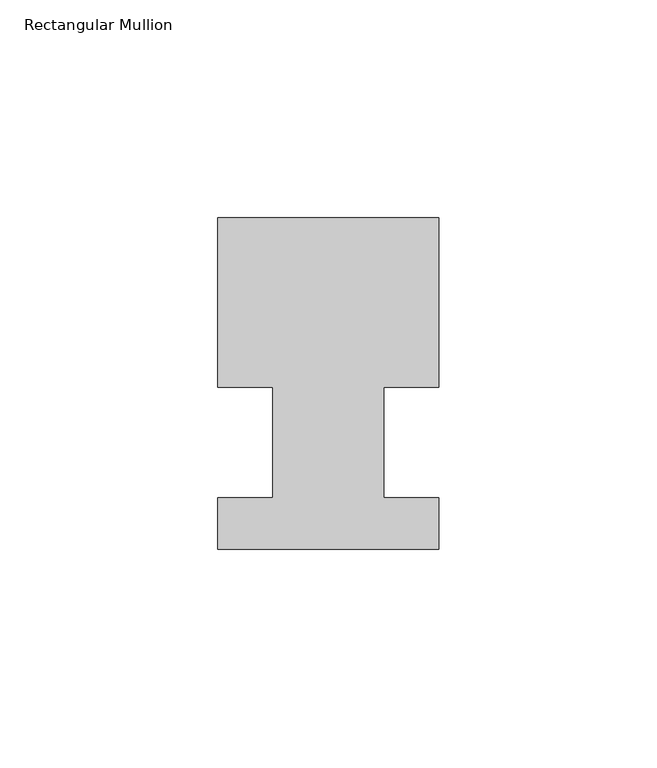
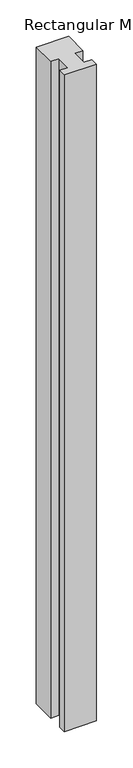
"""IFC4 building model written with IfcOpenShell, lengths in millimetres: member geometry, Rectangular Mullion."""

from ifc_helpers import new_model, si_unit, frame, origin, place, context, project, spatial, polyline, outline, extrude, source, transform, mapped, element, save


def rectangular_mullion_42575fa0(model_context):
    return source(origin(), model_context, "Body", "SweptSolid", [
        extrude(outline(polyline([(29.7344027, 51.59375), (29.7344027, 12.7), (17.0326322, 12.7), (17.0326322, -12.7), (29.7344027, -12.7), (29.7344027, -24.60625), (-21.0655973, -24.60625), (-21.0655973, -12.7), (-8.3655973, -12.7), (-8.3655973, 12.7), (-21.0655973, 12.7), (-21.0655973, 51.59375), (29.7344027, 51.59375)])), frame((0.0, 0.0, -1099.7094027), z_axis=(0.0, 0.0, 1.0), x_axis=(1.0, 0.0, 0.0)), (0.0, 0.0, 1.0), 1099.7094027),
    ])


if __name__ == "__main__":
    model = new_model("IFC4")
    model_context = context("Model", 3, world=origin())
    ifc_project = project(units=[si_unit("LENGTHUNIT", "METRE", prefix="MILLI")], contexts=[model_context])
    site = spatial("IfcSite", under=ifc_project)
    building = spatial("IfcBuilding", under=site)
    placement = place(None, origin())
    rectangular_mullion_shape = rectangular_mullion_42575fa0(model_context)
    element("IfcMember", 1, ObjectType="Rectangular Mullion", at=placement, inside=building, context=model_context, shape_type="MappedRepresentation", body=[
        mapped(rectangular_mullion_shape, transform((0.0, 0.0, 0.0), x_axis=(1.0, 0.0, 0.0), y_axis=(0.0, 1.0, 0.0), z_axis=(0.0, 0.0, 1.0))),
    ])
    save(model, "model.ifc")
